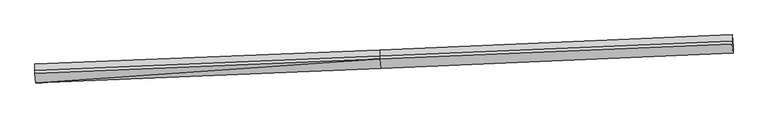
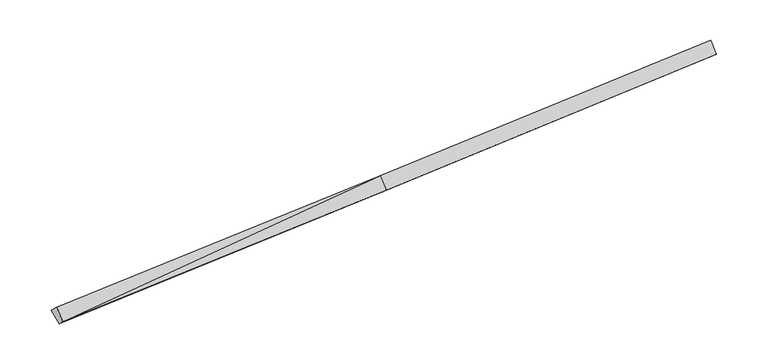
"""IFC4 building model written with IfcOpenShell, lengths in millimetres: proxy geometry."""

import ifcopenshell
import ifcopenshell.guid

model = None  # the IFC model being written
_history = None  # IfcOwnerHistory: only IFC2X3 demands one
_inside = {}  # id of a spatial element -> (the spatial element, [elements in it])
_under = {}  # id of a project, library or spatial element -> (it, [spatial elements below it])
_declared = {}  # id of a project -> (the project, [libraries it declares])
_typed = {}  # id of a type object -> (the type object, [elements of that type])
_made_of = {}  # id of a material, layer set ... -> (it, [elements and type objects made of it])


def new_model(schema):
    """Start an empty IFC model of exactly this schema.

    Asked for "IFC4X3", IfcOpenShell would pick the latest addendum, in which some entities
    have other attributes; the version numbers below select the first issue.
    IFC2X3 requires an IfcOwnerHistory on every rooted entity: one is made here for all.
    """
    global model, _history
    if schema == "IFC4X3":
        model = ifcopenshell.file(schema_version=(4, 3, 0, 0))
    else:
        model = ifcopenshell.file(schema=schema)
    _inside.clear()
    _under.clear()
    _declared.clear()
    _typed.clear()
    _made_of.clear()
    _history = None
    if model.schema == "IFC2X3":
        org = make("IfcOrganization", Name="unknown")
        user = make(
            "IfcPersonAndOrganization",
            ThePerson=make("IfcPerson", FamilyName="unknown"),
            TheOrganization=org,
        )
        app = make(
            "IfcApplication",
            ApplicationDeveloper=org,
            Version="unknown",
            ApplicationFullName="unknown",
            ApplicationIdentifier="unknown",
        )
        _history = make(
            "IfcOwnerHistory",
            OwningUser=user,
            OwningApplication=app,
            ChangeAction="ADDED",
            CreationDate=0,
        )
    return model


def make(cls, **values):
    """One entity of the class cls with the attributes given. An attribute that is None is left unset."""
    return model.create_entity(
        cls, **{name: value for name, value in values.items() if value is not None}
    )


def rooted(cls, **values):
    """An entity with a GlobalId (a new one), such as an element, a storey or a relation."""
    return make(cls, GlobalId=ifcopenshell.guid.new(), OwnerHistory=_history, **values)


def si_unit(unit_type, name, prefix=None):
    """IfcSIUnit, for example si_unit("LENGTHUNIT", "METRE", prefix="MILLI")."""
    return make("IfcSIUnit", UnitType=unit_type, Prefix=prefix, Name=name)


def assignment(units):
    """IfcUnitAssignment: the units of a project."""
    return None if units is None else make("IfcUnitAssignment", Units=units)


def point(xyz):
    """IfcCartesianPoint."""
    return None if xyz is None else make("IfcCartesianPoint", Coordinates=xyz)


def direction(xyz):
    """IfcDirection."""
    return None if xyz is None else make("IfcDirection", DirectionRatios=xyz)


def frame(location, z_axis=None, x_axis=None):
    """IfcAxis2Placement3D, a coordinate frame: its origin and axes. An axis left out is left unset."""
    return make(
        "IfcAxis2Placement3D",
        Location=point(location),
        Axis=direction(z_axis),
        RefDirection=direction(x_axis),
    )


def origin():
    """The frame at (0, 0, 0) with its axes left unset."""
    return frame((0.0, 0.0, 0.0))


def place(relative_to, where):
    """IfcLocalPlacement: puts the frame where relative to a parent placement (None: the world)."""
    return make(
        "IfcLocalPlacement", PlacementRelTo=relative_to, RelativePlacement=where
    )


def context(
    kind, dimensions, precision=None, world=None, true_north=None, identifier=None
):
    """IfcGeometricRepresentationContext, for example the 3D "Model" context."""
    return make(
        "IfcGeometricRepresentationContext",
        ContextIdentifier=identifier,
        ContextType=kind,
        CoordinateSpaceDimension=dimensions,
        Precision=precision,
        WorldCoordinateSystem=world,
        TrueNorth=true_north,
    )


def project(units=None, contexts=None):
    """IfcProject with its units and contexts."""
    return rooted(
        "IfcProject",
        Name="project",
        RepresentationContexts=contexts,
        UnitsInContext=assignment(units),
    )


def spatial(cls, under=None, at=None, **own):
    """A site, building, storey or space (cls), placed at a placement, below another one or the project."""
    s = rooted(cls, ObjectPlacement=at, **own)
    if under is not None:
        _under.setdefault(under.id(), (under, []))[1].append(s)
    return s


def shape(context_of_items, identifier, shape_type, items):
    """IfcShapeRepresentation: the items that make up one representation, for example the "Body"."""
    return make(
        "IfcShapeRepresentation",
        ContextOfItems=context_of_items,
        RepresentationIdentifier=identifier,
        RepresentationType=shape_type,
        Items=items,
    )


def source(mapping_origin, context_of_items, identifier, shape_type, items):
    """IfcRepresentationMap: a shape defined once, which mapped items show again and again."""
    return make(
        "IfcRepresentationMap",
        MappingOrigin=mapping_origin,
        MappedRepresentation=shape(context_of_items, identifier, shape_type, items),
    )


def transform(
    local_origin,
    x_axis=None,
    y_axis=None,
    z_axis=None,
    scale=None,
    scale2=None,
    scale3=None,
    uniform=True,
):
    """IfcCartesianTransformationOperator3D, or its non-uniform kind. x_axis, y_axis, z_axis: its Axis1, 2, 3."""
    if uniform:
        return make(
            "IfcCartesianTransformationOperator3D",
            Axis1=direction(x_axis),
            Axis2=direction(y_axis),
            LocalOrigin=point(local_origin),
            Scale=scale,
            Axis3=direction(z_axis),
        )
    return make(
        "IfcCartesianTransformationOperator3DnonUniform",
        Axis1=direction(x_axis),
        Axis2=direction(y_axis),
        LocalOrigin=point(local_origin),
        Scale=scale,
        Axis3=direction(z_axis),
        Scale2=scale2,
        Scale3=scale3,
    )


def mapped(mapping_source, mapping_target):
    """IfcMappedItem: shows the shape of a source again, moved by a transform."""
    return make(
        "IfcMappedItem", MappingSource=mapping_source, MappingTarget=mapping_target
    )


def made_of(thing, what):
    """Note that an element or type object is made of a material, layer set ...; save() writes the relation."""
    if what is not None:
        _made_of.setdefault(what.id(), (what, []))[1].append(thing)
    return thing


def element(
    cls,
    number,
    at=None,
    inside=None,
    cuts=None,
    type_object=None,
    material=None,
    context=None,
    identifier="Body",
    shape_type=None,
    held_by="IfcProductDefinitionShape",
    body=None,
    shapes=None,
    **own,
):
    """One element of the class cls, such as IfcWall. Its Tag is "e" and its number.

    at: its placement. inside: the storey or other place that contains it. cuts: it is an
    opening in that element (IfcRelVoidsElement). A single representation is given by context,
    identifier, shape_type and body (its items); several are given by shapes. held_by: the class
    of the entity that holds the representations. save() writes the other relations.
    """
    e = rooted(cls, Tag="e%d" % number, ObjectPlacement=at, **own)
    if body is not None:
        shapes = [shape(context, identifier, shape_type, body)]
    if shapes is not None:
        e.Representation = make(held_by, Representations=shapes)
    if inside is not None:
        _inside.setdefault(inside.id(), (inside, []))[1].append(e)
    if cuts is not None:
        rooted(
            "IfcRelVoidsElement", RelatingBuildingElement=cuts, RelatedOpeningElement=e
        )
    if type_object is not None:
        _typed.setdefault(type_object.id(), (type_object, []))[1].append(e)
    return made_of(e, material)


def aggregate(whole, parts):
    """IfcRelAggregates: a whole, such as a stair, and the parts it consists of."""
    return rooted("IfcRelAggregates", RelatingObject=whole, RelatedObjects=parts)


def save(model, path):
    """Write the relations noted so far, then the file.

    IfcRelAggregates (storeys below a building ...), IfcRelContainedInSpatialStructure (elements
    in a storey), IfcRelDefinesByType, IfcRelAssociatesMaterial and IfcRelDeclares: one each for
    every whole, place, type object, material and project.
    """
    for whole, parts in _under.values():
        aggregate(whole, parts)
    for where, things in _inside.values():
        rooted(
            "IfcRelContainedInSpatialStructure",
            RelatedElements=things,
            RelatingStructure=where,
        )
    for kind, things in _typed.values():
        rooted("IfcRelDefinesByType", RelatedObjects=things, RelatingType=kind)
    for what, things in _made_of.values():
        rooted("IfcRelAssociatesMaterial", RelatedObjects=things, RelatingMaterial=what)
    for by, libraries in _declared.values():
        rooted("IfcRelDeclares", RelatingContext=by, RelatedDefinitions=libraries)
    model.write(path)


def plane_surface(at):
    """IfcPlane: the flat surface through the origin of the frame at, square to its z axis."""
    return make("IfcPlane", Position=at)


def spline_surface(u_degree, v_degree, points, u_multiplicities, v_multiplicities, u_knots, v_knots, weights=None):
    """IfcBSplineSurfaceWithKnots; with weights, IfcRationalBSplineSurfaceWithKnots. points: one row for each step in u."""
    own = dict(
        UDegree=u_degree,
        VDegree=v_degree,
        ControlPointsList=[[point(p) for p in row] for row in points],
        SurfaceForm="UNSPECIFIED",
        UClosed=False,
        VClosed=False,
        SelfIntersect=False,
        UMultiplicities=u_multiplicities,
        VMultiplicities=v_multiplicities,
        UKnots=u_knots,
        VKnots=v_knots,
        KnotSpec="UNSPECIFIED",
    )
    if weights is None:
        return make("IfcBSplineSurfaceWithKnots", **own)
    return make("IfcRationalBSplineSurfaceWithKnots", WeightsData=weights, **own)


def advanced_brep(points, edges, surfaces, faces):
    """IfcAdvancedBrep: a solid bounded by faces that lie on surfaces and meet in shared edges.

    An edge is (start, end): straight between two places in points (the first is 0);
    or (start, end, curve); or (start, end, curve, False) where it runs against its curve.
    A face is (place in surfaces, loops), or (place, loops, False) where it looks against
    its surface's normal. A loop lists edges by number (the first is 1), with a minus sign
    where the edge is run from its end to its start. The first loop is the outer one.
    """
    corners = [point(p) for p in points]
    vertices = [make("IfcVertexPoint", VertexGeometry=c) for c in corners]
    made = []
    for start, end, *more in edges:
        made.append(
            make(
                "IfcEdgeCurve",
                EdgeStart=vertices[start],
                EdgeEnd=vertices[end],
                EdgeGeometry=more[0] if more else make("IfcPolyline", Points=[corners[start], corners[end]]),
                SameSense=more[1] if len(more) > 1 else True,
            )
        )
    hull = []
    for where, loops, *sense in faces:
        bounds = []
        for j, loop in enumerate(loops):
            ring = [make("IfcOrientedEdge", EdgeElement=made[abs(k) - 1], Orientation=k > 0) for k in loop]
            bounds.append(
                make(
                    "IfcFaceOuterBound" if j == 0 else "IfcFaceBound",
                    Bound=make("IfcEdgeLoop", EdgeList=ring),
                    Orientation=True,
                )
            )
        hull.append(make("IfcAdvancedFace", Bounds=bounds, FaceSurface=surfaces[where], SameSense=sense[0] if sense else True))
    return make("IfcAdvancedBrep", Outer=make("IfcClosedShell", CfsFaces=hull))


def generic_models_78c35bab(model_context):
    return source(origin(), model_context, "Body", "AdvancedBrep", [
        advanced_brep(
        [(-16567.040845, -2693.5340101, 1150.4194901), (-16567.3091561, -2373.3054625, 858.8973939), (-108.032023, -1701.0119576, 1609.2099843), (-107.7799192, -2001.8971785, 1883.1227599), (-16609.8200551, -2236.6945835, 1652.2836923), (-150.5591293, -1545.0577519, 2384.9869621), (-16609.9439722, -2088.7997864, 1517.6467226), (-150.6799485, -1400.8603247, 2253.7159166), (-16610.2107631, -1770.3856727, 1227.7764079), (-150.9350619, -1096.3832731, 1976.5332951), (16663.1115896, -680.5245732, 3029.5087206), (16663.2324088, -824.7220004, 3160.7797661), (16703.4951948, -1254.6885196, 2688.4369876), (16703.2358069, -945.1098129, 2406.6100419), (16662.8564762, -376.0475216, 2752.3260991)],
        [
            (0, 1),
            (1, 2),
            (2, 3),
            (3, 0),
            (4, 0),
            (0, 5),
            (5, 4),
            (6, 4),
            (5, 7),
            (7, 6),
            (8, 6),
            (7, 9),
            (9, 8),
            (1, 8),
            (9, 2),
            (10, 11),
            (11, 12),
            (12, 13),
            (13, 14),
            (14, 10),
            (3, 5),
            (5, 11),
            (10, 7),
            (3, 12),
            (2, 13),
            (9, 14),
        ],
        [
            plane_surface(frame((-16567.1750005, -2533.4197363, 1004.658442), z_axis=(0.061092185708275, -0.6718995635692302, -0.7381183653865171), x_axis=(-0.0006195858762823359, 0.7394739857297639, -0.6731848487171106))),
            plane_surface(frame((-16588.43045, -2465.1142968, 1401.3515912), z_axis=(0.0011040551606440636, -0.7394531183986981, 0.6732071499565669), x_axis=(0.06291060310461127, -0.6718226862178377, -0.7380355914859819))),
            plane_surface(frame((-16609.8820137, -2162.7471849, 1584.9652075), z_axis=(-0.06109218570827493, 0.6718995635692295, 0.7381183653865176), x_axis=(0.0006195858762714172, -0.7394739857297649, 0.6731848487171095))),
            plane_surface(frame((-16610.0773677, -1929.5927295, 1372.7115653), z_axis=(-0.06109218570827493, 0.6718995635692271, 0.7381183653865198), x_axis=(0.0006195858762877985, -0.7394739857297663, 0.6731848487171078))),
            spline_surface(1, 1, [[(-16567.3091561, -2373.3054625, 858.8973939), (-108.032023, -1701.0119576, 1609.2099843)], [(-16610.2107631, -1770.3856727, 1227.7764079), (-150.9350619, -1096.3832731, 1976.5332951)]], [2, 2], [2, 2], [0.0, 1.0], [0.0, 1.0]),
            plane_surface(frame((16683.2049717, -850.1419636, 2752.0382237), z_axis=(0.9980189738328409, 0.04280774126235431, 0.046104502574677), x_axis=(0.000619585876283957, -0.7394739857297659, 0.6731848487171083))),
            plane_surface(frame((-16588.5952048, -2268.4799322, 1222.3442461), z_axis=(-0.9980189738328407, -0.04280774126235679, -0.046104502574684916), x_axis=(0.000619585876280474, -0.7394739857297661, 0.673184848717108))),
            plane_surface(frame((-16567.040845, -2693.5340101, 1150.4194901), z_axis=(0.001104055160644022, -0.7394531183986977, 0.6732071499565673), x_axis=(0.06291060310460492, -0.6718226862178382, -0.7380355914859817))),
            plane_surface(frame((-150.6195389, -1472.9590383, 2319.3514393), z_axis=(-0.06283565469988159, 0.6718258990562374, 0.7380390517145524), x_axis=(0.0006195858762885117, -0.7394739857297662, 0.6731848487171079))),
            plane_surface(frame((-129.1695242, -1773.4774652, 2134.054861), z_axis=(0.0006195858762820736, -0.7394739857297633, 0.6731848487171113), x_axis=(0.06291060310460375, -0.6718226862178394, -0.7380355914859809))),
            plane_surface(frame((-107.9059711, -1851.4545681, 1746.1663721), z_axis=(0.06520507676408129, -0.6717224871564899, -0.7379276375177242), x_axis=(-0.0006195858762851386, 0.7394739857297632, -0.6731848487171112))),
            plane_surface(frame((-129.4835425, -1398.6976154, 1792.8716397), z_axis=(0.017124016644211027, 0.5200239990651583, -0.8539799812936186), x_axis=(-0.06053240189981188, 0.8530777190651763, 0.5182607775577812))),
            plane_surface(frame((-150.8075052, -1248.6217989, 2115.1246058), z_axis=(-0.0628356546998816, 0.6718258990562382, 0.7380390517145518), x_axis=(0.0006195858762818002, -0.7394739857297657, 0.6731848487171085))),
        ],
        [
            (0, [[1, 2, 3, 4]]),
            (1, [[5, 6, 7]]),
            (2, [[8, -7, 9, 10]]),
            (3, [[11, -10, 12, 13]]),
            (4, [[14, -13, 15, -2]]),
            (5, [[16, 17, 18, 19, 20]]),
            (6, [[-1, -5, -8, -11, -14]]),
            (7, [[21, -6, -4]]),
            (8, [[-9, 22, -16, 23]]),
            (9, [[-21, 24, -17, -22]]),
            (10, [[-3, 25, -18, -24]]),
            (11, [[-15, 26, -19, -25]]),
            (12, [[-12, -23, -20, -26]]),
        ],
    ),
    ])


if __name__ == "__main__":
    model = new_model("IFC4")
    model_context = context("Model", 3, world=origin())
    ifc_project = project(units=[si_unit("LENGTHUNIT", "METRE", prefix="MILLI")], contexts=[model_context])
    site = spatial("IfcSite", under=ifc_project)
    building = spatial("IfcBuilding", under=site)
    placement = place(None, origin())
    generic_models_shape = generic_models_78c35bab(model_context)
    element("IfcBuildingElementProxy", 1, Name="Generic Models", at=placement, inside=building, context=model_context, shape_type="MappedRepresentation", body=[
        mapped(generic_models_shape, transform((0.0, 0.0, 0.0), x_axis=(1.0, 0.0, 0.0), y_axis=(0.0, 1.0, 0.0), z_axis=(0.0, 0.0, 1.0))),
    ])
    save(model, "model.ifc")
